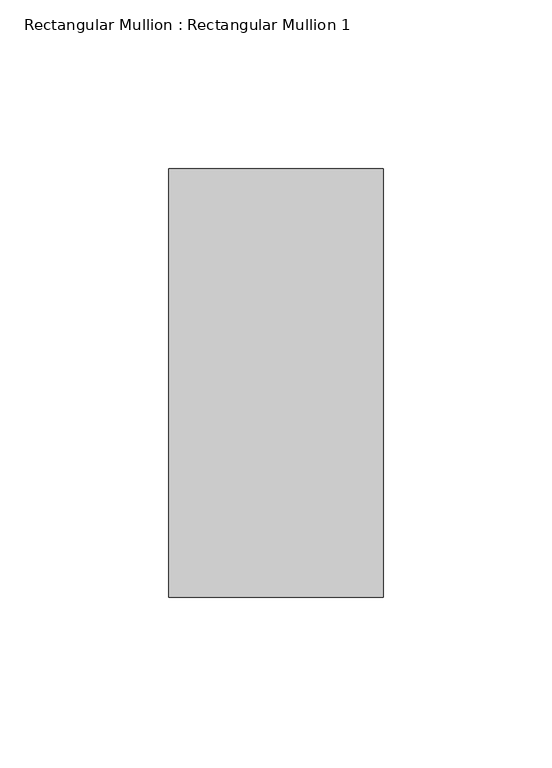
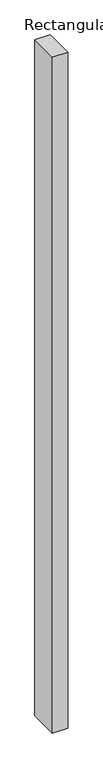
"""IFC4 building model written with IfcOpenShell, lengths in millimetres: member geometry, Rectangular Mullion : Rectangular Mullion 1."""

import ifcopenshell
import ifcopenshell.guid

model = None  # the IFC model being written
_history = None  # IfcOwnerHistory: only IFC2X3 demands one
_inside = {}  # id of a spatial element -> (the spatial element, [elements in it])
_under = {}  # id of a project, library or spatial element -> (it, [spatial elements below it])
_declared = {}  # id of a project -> (the project, [libraries it declares])
_typed = {}  # id of a type object -> (the type object, [elements of that type])
_made_of = {}  # id of a material, layer set ... -> (it, [elements and type objects made of it])


def new_model(schema):
    """Start an empty IFC model of exactly this schema.

    Asked for "IFC4X3", IfcOpenShell would pick the latest addendum, in which some entities
    have other attributes; the version numbers below select the first issue.
    IFC2X3 requires an IfcOwnerHistory on every rooted entity: one is made here for all.
    """
    global model, _history
    if schema == "IFC4X3":
        model = ifcopenshell.file(schema_version=(4, 3, 0, 0))
    else:
        model = ifcopenshell.file(schema=schema)
    _inside.clear()
    _under.clear()
    _declared.clear()
    _typed.clear()
    _made_of.clear()
    _history = None
    if model.schema == "IFC2X3":
        org = make("IfcOrganization", Name="unknown")
        user = make(
            "IfcPersonAndOrganization",
            ThePerson=make("IfcPerson", FamilyName="unknown"),
            TheOrganization=org,
        )
        app = make(
            "IfcApplication",
            ApplicationDeveloper=org,
            Version="unknown",
            ApplicationFullName="unknown",
            ApplicationIdentifier="unknown",
        )
        _history = make(
            "IfcOwnerHistory",
            OwningUser=user,
            OwningApplication=app,
            ChangeAction="ADDED",
            CreationDate=0,
        )
    return model


def make(cls, **values):
    """One entity of the class cls with the attributes given. An attribute that is None is left unset."""
    return model.create_entity(
        cls, **{name: value for name, value in values.items() if value is not None}
    )


def rooted(cls, **values):
    """An entity with a GlobalId (a new one), such as an element, a storey or a relation."""
    return make(cls, GlobalId=ifcopenshell.guid.new(), OwnerHistory=_history, **values)


def si_unit(unit_type, name, prefix=None):
    """IfcSIUnit, for example si_unit("LENGTHUNIT", "METRE", prefix="MILLI")."""
    return make("IfcSIUnit", UnitType=unit_type, Prefix=prefix, Name=name)


def assignment(units):
    """IfcUnitAssignment: the units of a project."""
    return None if units is None else make("IfcUnitAssignment", Units=units)


def point(xyz):
    """IfcCartesianPoint."""
    return None if xyz is None else make("IfcCartesianPoint", Coordinates=xyz)


def direction(xyz):
    """IfcDirection."""
    return None if xyz is None else make("IfcDirection", DirectionRatios=xyz)


def frame(location, z_axis=None, x_axis=None):
    """IfcAxis2Placement3D, a coordinate frame: its origin and axes. An axis left out is left unset."""
    return make(
        "IfcAxis2Placement3D",
        Location=point(location),
        Axis=direction(z_axis),
        RefDirection=direction(x_axis),
    )


def origin():
    """The frame at (0, 0, 0) with its axes left unset."""
    return frame((0.0, 0.0, 0.0))


def place(relative_to, where):
    """IfcLocalPlacement: puts the frame where relative to a parent placement (None: the world)."""
    return make(
        "IfcLocalPlacement", PlacementRelTo=relative_to, RelativePlacement=where
    )


def context(
    kind, dimensions, precision=None, world=None, true_north=None, identifier=None
):
    """IfcGeometricRepresentationContext, for example the 3D "Model" context."""
    return make(
        "IfcGeometricRepresentationContext",
        ContextIdentifier=identifier,
        ContextType=kind,
        CoordinateSpaceDimension=dimensions,
        Precision=precision,
        WorldCoordinateSystem=world,
        TrueNorth=true_north,
    )


def project(units=None, contexts=None):
    """IfcProject with its units and contexts."""
    return rooted(
        "IfcProject",
        Name="project",
        RepresentationContexts=contexts,
        UnitsInContext=assignment(units),
    )


def spatial(cls, under=None, at=None, **own):
    """A site, building, storey or space (cls), placed at a placement, below another one or the project."""
    s = rooted(cls, ObjectPlacement=at, **own)
    if under is not None:
        _under.setdefault(under.id(), (under, []))[1].append(s)
    return s


def polyline(points):
    """IfcPolyline through the points."""
    return make("IfcPolyline", Points=[point(p) for p in points])


def outline(outer, holes=None, kind="AREA"):
    """IfcArbitraryClosedProfileDef: a profile drawn as a closed curve; with holes, ...WithVoids."""
    if holes is None:
        return make("IfcArbitraryClosedProfileDef", ProfileType=kind, OuterCurve=outer)
    return make(
        "IfcArbitraryProfileDefWithVoids",
        ProfileType=kind,
        OuterCurve=outer,
        InnerCurves=holes,
    )


def extrude(swept, where, along, depth):
    """IfcExtrudedAreaSolid: the profile swept, set in the frame where, extruded along a direction by depth."""
    return make(
        "IfcExtrudedAreaSolid",
        SweptArea=swept,
        Position=where,
        ExtrudedDirection=direction(along),
        Depth=depth,
    )


def shape(context_of_items, identifier, shape_type, items):
    """IfcShapeRepresentation: the items that make up one representation, for example the "Body"."""
    return make(
        "IfcShapeRepresentation",
        ContextOfItems=context_of_items,
        RepresentationIdentifier=identifier,
        RepresentationType=shape_type,
        Items=items,
    )


def source(mapping_origin, context_of_items, identifier, shape_type, items):
    """IfcRepresentationMap: a shape defined once, which mapped items show again and again."""
    return make(
        "IfcRepresentationMap",
        MappingOrigin=mapping_origin,
        MappedRepresentation=shape(context_of_items, identifier, shape_type, items),
    )


def transform(
    local_origin,
    x_axis=None,
    y_axis=None,
    z_axis=None,
    scale=None,
    scale2=None,
    scale3=None,
    uniform=True,
):
    """IfcCartesianTransformationOperator3D, or its non-uniform kind. x_axis, y_axis, z_axis: its Axis1, 2, 3."""
    if uniform:
        return make(
            "IfcCartesianTransformationOperator3D",
            Axis1=direction(x_axis),
            Axis2=direction(y_axis),
            LocalOrigin=point(local_origin),
            Scale=scale,
            Axis3=direction(z_axis),
        )
    return make(
        "IfcCartesianTransformationOperator3DnonUniform",
        Axis1=direction(x_axis),
        Axis2=direction(y_axis),
        LocalOrigin=point(local_origin),
        Scale=scale,
        Axis3=direction(z_axis),
        Scale2=scale2,
        Scale3=scale3,
    )


def mapped(mapping_source, mapping_target):
    """IfcMappedItem: shows the shape of a source again, moved by a transform."""
    return make(
        "IfcMappedItem", MappingSource=mapping_source, MappingTarget=mapping_target
    )


def made_of(thing, what):
    """Note that an element or type object is made of a material, layer set ...; save() writes the relation."""
    if what is not None:
        _made_of.setdefault(what.id(), (what, []))[1].append(thing)
    return thing


def element(
    cls,
    number,
    at=None,
    inside=None,
    cuts=None,
    type_object=None,
    material=None,
    context=None,
    identifier="Body",
    shape_type=None,
    held_by="IfcProductDefinitionShape",
    body=None,
    shapes=None,
    **own,
):
    """One element of the class cls, such as IfcWall. Its Tag is "e" and its number.

    at: its placement. inside: the storey or other place that contains it. cuts: it is an
    opening in that element (IfcRelVoidsElement). A single representation is given by context,
    identifier, shape_type and body (its items); several are given by shapes. held_by: the class
    of the entity that holds the representations. save() writes the other relations.
    """
    e = rooted(cls, Tag="e%d" % number, ObjectPlacement=at, **own)
    if body is not None:
        shapes = [shape(context, identifier, shape_type, body)]
    if shapes is not None:
        e.Representation = make(held_by, Representations=shapes)
    if inside is not None:
        _inside.setdefault(inside.id(), (inside, []))[1].append(e)
    if cuts is not None:
        rooted(
            "IfcRelVoidsElement", RelatingBuildingElement=cuts, RelatedOpeningElement=e
        )
    if type_object is not None:
        _typed.setdefault(type_object.id(), (type_object, []))[1].append(e)
    return made_of(e, material)


def aggregate(whole, parts):
    """IfcRelAggregates: a whole, such as a stair, and the parts it consists of."""
    return rooted("IfcRelAggregates", RelatingObject=whole, RelatedObjects=parts)


def save(model, path):
    """Write the relations noted so far, then the file.

    IfcRelAggregates (storeys below a building ...), IfcRelContainedInSpatialStructure (elements
    in a storey), IfcRelDefinesByType, IfcRelAssociatesMaterial and IfcRelDeclares: one each for
    every whole, place, type object, material and project.
    """
    for whole, parts in _under.values():
        aggregate(whole, parts)
    for where, things in _inside.values():
        rooted(
            "IfcRelContainedInSpatialStructure",
            RelatedElements=things,
            RelatingStructure=where,
        )
    for kind, things in _typed.values():
        rooted("IfcRelDefinesByType", RelatedObjects=things, RelatingType=kind)
    for what, things in _made_of.values():
        rooted("IfcRelAssociatesMaterial", RelatedObjects=things, RelatingMaterial=what)
    for by, libraries in _declared.values():
        rooted("IfcRelDeclares", RelatingContext=by, RelatedDefinitions=libraries)
    model.write(path)


def rectangular_mullion_rectangular_mullion_1_db480205(model_context):
    return source(origin(), model_context, "Body", "SweptSolid", [
        extrude(outline(polyline([(0.0, 63.5), (0.0, -63.5), (-63.5, -63.5), (-63.5, 63.5), (0.0, 63.5)])), frame((0.0, 0.0, -2984.5), z_axis=(0.0, 0.0, 1.0), x_axis=(1.0, 0.0, 0.0)), (0.0, 0.0, 1.0), 2984.5),
    ])


if __name__ == "__main__":
    model = new_model("IFC4")
    model_context = context("Model", 3, world=origin())
    ifc_project = project(units=[si_unit("LENGTHUNIT", "METRE", prefix="MILLI")], contexts=[model_context])
    site = spatial("IfcSite", under=ifc_project)
    building = spatial("IfcBuilding", under=site)
    placement = place(None, origin())
    rectangular_mullion_rectangular_mullion_1_shape = rectangular_mullion_rectangular_mullion_1_db480205(model_context)
    element("IfcMember", 1, ObjectType="Rectangular Mullion : Rectangular Mullion 1", at=placement, inside=building, context=model_context, shape_type="MappedRepresentation", body=[
        mapped(rectangular_mullion_rectangular_mullion_1_shape, transform((0.0, 0.0, 0.0), x_axis=(1.0, 0.0, 0.0), y_axis=(0.0, 1.0, 0.0), z_axis=(0.0, 0.0, 1.0))),
    ])
    save(model, "model.ifc")
